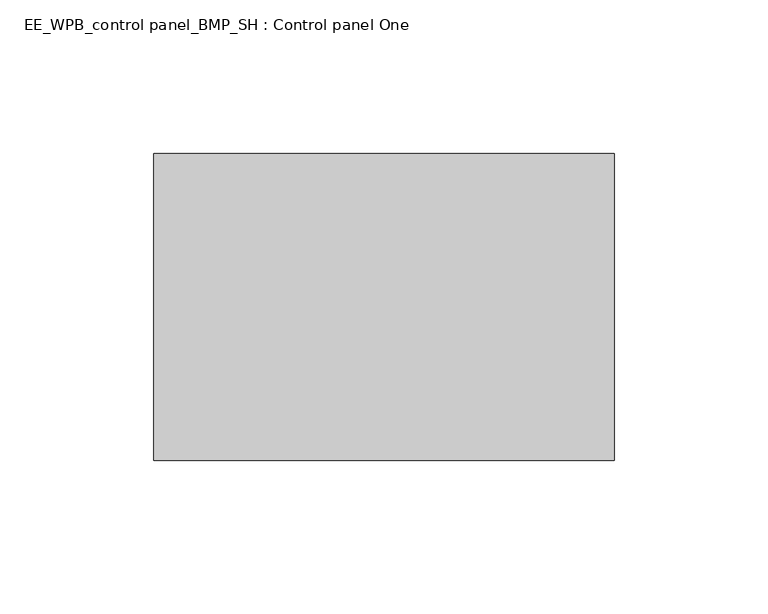
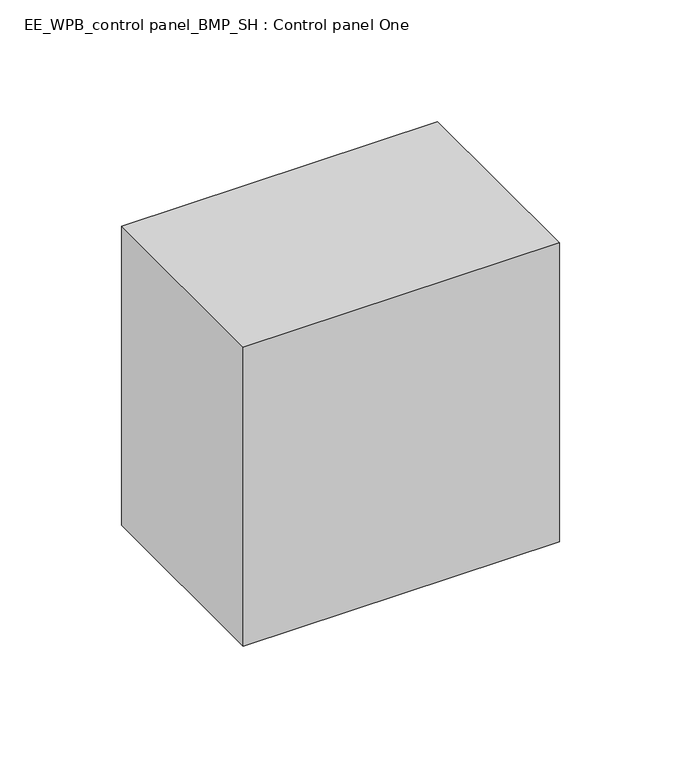
"""IFC4 building model written with IfcOpenShell, lengths in millimetres: electric distribution board geometry, EE_WPB_control panel_BMP_SH : Control panel One."""

import ifcopenshell
import ifcopenshell.guid

model = None  # the IFC model being written
_history = None  # IfcOwnerHistory: only IFC2X3 demands one
_inside = {}  # id of a spatial element -> (the spatial element, [elements in it])
_under = {}  # id of a project, library or spatial element -> (it, [spatial elements below it])
_declared = {}  # id of a project -> (the project, [libraries it declares])
_typed = {}  # id of a type object -> (the type object, [elements of that type])
_made_of = {}  # id of a material, layer set ... -> (it, [elements and type objects made of it])


def new_model(schema):
    """Start an empty IFC model of exactly this schema.

    Asked for "IFC4X3", IfcOpenShell would pick the latest addendum, in which some entities
    have other attributes; the version numbers below select the first issue.
    IFC2X3 requires an IfcOwnerHistory on every rooted entity: one is made here for all.
    """
    global model, _history
    if schema == "IFC4X3":
        model = ifcopenshell.file(schema_version=(4, 3, 0, 0))
    else:
        model = ifcopenshell.file(schema=schema)
    _inside.clear()
    _under.clear()
    _declared.clear()
    _typed.clear()
    _made_of.clear()
    _history = None
    if model.schema == "IFC2X3":
        org = make("IfcOrganization", Name="unknown")
        user = make(
            "IfcPersonAndOrganization",
            ThePerson=make("IfcPerson", FamilyName="unknown"),
            TheOrganization=org,
        )
        app = make(
            "IfcApplication",
            ApplicationDeveloper=org,
            Version="unknown",
            ApplicationFullName="unknown",
            ApplicationIdentifier="unknown",
        )
        _history = make(
            "IfcOwnerHistory",
            OwningUser=user,
            OwningApplication=app,
            ChangeAction="ADDED",
            CreationDate=0,
        )
    return model


def make(cls, **values):
    """One entity of the class cls with the attributes given. An attribute that is None is left unset."""
    return model.create_entity(
        cls, **{name: value for name, value in values.items() if value is not None}
    )


def rooted(cls, **values):
    """An entity with a GlobalId (a new one), such as an element, a storey or a relation."""
    return make(cls, GlobalId=ifcopenshell.guid.new(), OwnerHistory=_history, **values)


def si_unit(unit_type, name, prefix=None):
    """IfcSIUnit, for example si_unit("LENGTHUNIT", "METRE", prefix="MILLI")."""
    return make("IfcSIUnit", UnitType=unit_type, Prefix=prefix, Name=name)


def assignment(units):
    """IfcUnitAssignment: the units of a project."""
    return None if units is None else make("IfcUnitAssignment", Units=units)


def point(xyz):
    """IfcCartesianPoint."""
    return None if xyz is None else make("IfcCartesianPoint", Coordinates=xyz)


def direction(xyz):
    """IfcDirection."""
    return None if xyz is None else make("IfcDirection", DirectionRatios=xyz)


def frame(location, z_axis=None, x_axis=None):
    """IfcAxis2Placement3D, a coordinate frame: its origin and axes. An axis left out is left unset."""
    return make(
        "IfcAxis2Placement3D",
        Location=point(location),
        Axis=direction(z_axis),
        RefDirection=direction(x_axis),
    )


def origin():
    """The frame at (0, 0, 0) with its axes left unset."""
    return frame((0.0, 0.0, 0.0))


def origin_with_axes():
    """The frame at (0, 0, 0) with the z axis (0, 0, 1) and the x axis (1, 0, 0) written out."""
    return frame((0.0, 0.0, 0.0), z_axis=(0.0, 0.0, 1.0), x_axis=(1.0, 0.0, 0.0))


def place(relative_to, where):
    """IfcLocalPlacement: puts the frame where relative to a parent placement (None: the world)."""
    return make(
        "IfcLocalPlacement", PlacementRelTo=relative_to, RelativePlacement=where
    )


def context(
    kind, dimensions, precision=None, world=None, true_north=None, identifier=None
):
    """IfcGeometricRepresentationContext, for example the 3D "Model" context."""
    return make(
        "IfcGeometricRepresentationContext",
        ContextIdentifier=identifier,
        ContextType=kind,
        CoordinateSpaceDimension=dimensions,
        Precision=precision,
        WorldCoordinateSystem=world,
        TrueNorth=true_north,
    )


def project(units=None, contexts=None):
    """IfcProject with its units and contexts."""
    return rooted(
        "IfcProject",
        Name="project",
        RepresentationContexts=contexts,
        UnitsInContext=assignment(units),
    )


def spatial(cls, under=None, at=None, **own):
    """A site, building, storey or space (cls), placed at a placement, below another one or the project."""
    s = rooted(cls, ObjectPlacement=at, **own)
    if under is not None:
        _under.setdefault(under.id(), (under, []))[1].append(s)
    return s


def polyline(points):
    """IfcPolyline through the points."""
    return make("IfcPolyline", Points=[point(p) for p in points])


def outline(outer, holes=None, kind="AREA"):
    """IfcArbitraryClosedProfileDef: a profile drawn as a closed curve; with holes, ...WithVoids."""
    if holes is None:
        return make("IfcArbitraryClosedProfileDef", ProfileType=kind, OuterCurve=outer)
    return make(
        "IfcArbitraryProfileDefWithVoids",
        ProfileType=kind,
        OuterCurve=outer,
        InnerCurves=holes,
    )


def extrude(swept, where, along, depth):
    """IfcExtrudedAreaSolid: the profile swept, set in the frame where, extruded along a direction by depth."""
    return make(
        "IfcExtrudedAreaSolid",
        SweptArea=swept,
        Position=where,
        ExtrudedDirection=direction(along),
        Depth=depth,
    )


def shape(context_of_items, identifier, shape_type, items):
    """IfcShapeRepresentation: the items that make up one representation, for example the "Body"."""
    return make(
        "IfcShapeRepresentation",
        ContextOfItems=context_of_items,
        RepresentationIdentifier=identifier,
        RepresentationType=shape_type,
        Items=items,
    )


def source(mapping_origin, context_of_items, identifier, shape_type, items):
    """IfcRepresentationMap: a shape defined once, which mapped items show again and again."""
    return make(
        "IfcRepresentationMap",
        MappingOrigin=mapping_origin,
        MappedRepresentation=shape(context_of_items, identifier, shape_type, items),
    )


def transform(
    local_origin,
    x_axis=None,
    y_axis=None,
    z_axis=None,
    scale=None,
    scale2=None,
    scale3=None,
    uniform=True,
):
    """IfcCartesianTransformationOperator3D, or its non-uniform kind. x_axis, y_axis, z_axis: its Axis1, 2, 3."""
    if uniform:
        return make(
            "IfcCartesianTransformationOperator3D",
            Axis1=direction(x_axis),
            Axis2=direction(y_axis),
            LocalOrigin=point(local_origin),
            Scale=scale,
            Axis3=direction(z_axis),
        )
    return make(
        "IfcCartesianTransformationOperator3DnonUniform",
        Axis1=direction(x_axis),
        Axis2=direction(y_axis),
        LocalOrigin=point(local_origin),
        Scale=scale,
        Axis3=direction(z_axis),
        Scale2=scale2,
        Scale3=scale3,
    )


def mapped(mapping_source, mapping_target):
    """IfcMappedItem: shows the shape of a source again, moved by a transform."""
    return make(
        "IfcMappedItem", MappingSource=mapping_source, MappingTarget=mapping_target
    )


def made_of(thing, what):
    """Note that an element or type object is made of a material, layer set ...; save() writes the relation."""
    if what is not None:
        _made_of.setdefault(what.id(), (what, []))[1].append(thing)
    return thing


def element(
    cls,
    number,
    at=None,
    inside=None,
    cuts=None,
    type_object=None,
    material=None,
    context=None,
    identifier="Body",
    shape_type=None,
    held_by="IfcProductDefinitionShape",
    body=None,
    shapes=None,
    **own,
):
    """One element of the class cls, such as IfcWall. Its Tag is "e" and its number.

    at: its placement. inside: the storey or other place that contains it. cuts: it is an
    opening in that element (IfcRelVoidsElement). A single representation is given by context,
    identifier, shape_type and body (its items); several are given by shapes. held_by: the class
    of the entity that holds the representations. save() writes the other relations.
    """
    e = rooted(cls, Tag="e%d" % number, ObjectPlacement=at, **own)
    if body is not None:
        shapes = [shape(context, identifier, shape_type, body)]
    if shapes is not None:
        e.Representation = make(held_by, Representations=shapes)
    if inside is not None:
        _inside.setdefault(inside.id(), (inside, []))[1].append(e)
    if cuts is not None:
        rooted(
            "IfcRelVoidsElement", RelatingBuildingElement=cuts, RelatedOpeningElement=e
        )
    if type_object is not None:
        _typed.setdefault(type_object.id(), (type_object, []))[1].append(e)
    return made_of(e, material)


def aggregate(whole, parts):
    """IfcRelAggregates: a whole, such as a stair, and the parts it consists of."""
    return rooted("IfcRelAggregates", RelatingObject=whole, RelatedObjects=parts)


def save(model, path):
    """Write the relations noted so far, then the file.

    IfcRelAggregates (storeys below a building ...), IfcRelContainedInSpatialStructure (elements
    in a storey), IfcRelDefinesByType, IfcRelAssociatesMaterial and IfcRelDeclares: one each for
    every whole, place, type object, material and project.
    """
    for whole, parts in _under.values():
        aggregate(whole, parts)
    for where, things in _inside.values():
        rooted(
            "IfcRelContainedInSpatialStructure",
            RelatedElements=things,
            RelatingStructure=where,
        )
    for kind, things in _typed.values():
        rooted("IfcRelDefinesByType", RelatedObjects=things, RelatingType=kind)
    for what, things in _made_of.values():
        rooted("IfcRelAssociatesMaterial", RelatedObjects=things, RelatingMaterial=what)
    for by, libraries in _declared.values():
        rooted("IfcRelDeclares", RelatingContext=by, RelatedDefinitions=libraries)
    model.write(path)


def ee_wpb_control_panel_bmp_sh_control_panel_one_fab0d9c8(model_context):
    return source(origin(), model_context, "Body", "SweptSolid", [
        extrude(outline(polyline([(-75.0, 0.0), (75.0, 0.0), (75.0, -100.0), (-75.0, -100.0), (-75.0, 0.0)])), origin_with_axes(), (0.0, 0.0, 1.0), 150.0),
    ])


if __name__ == "__main__":
    model = new_model("IFC4")
    model_context = context("Model", 3, world=origin())
    ifc_project = project(units=[si_unit("LENGTHUNIT", "METRE", prefix="MILLI")], contexts=[model_context])
    site = spatial("IfcSite", under=ifc_project)
    building = spatial("IfcBuilding", under=site)
    placement = place(None, origin())
    ee_wpb_control_panel_bmp_sh_control_panel_one_shape = ee_wpb_control_panel_bmp_sh_control_panel_one_fab0d9c8(model_context)
    element("IfcElectricDistributionBoard", 1, ObjectType="EE_WPB_control panel_BMP_SH : Control panel One", at=placement, inside=building, context=model_context, shape_type="MappedRepresentation", body=[
        mapped(ee_wpb_control_panel_bmp_sh_control_panel_one_shape, transform((0.0, 0.0, 0.0), x_axis=(1.0, 0.0, 0.0), y_axis=(0.0, 1.0, 0.0), z_axis=(0.0, 0.0, 1.0))),
    ])
    save(model, "model.ifc")
